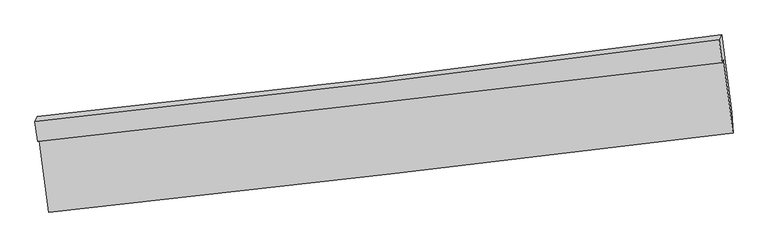
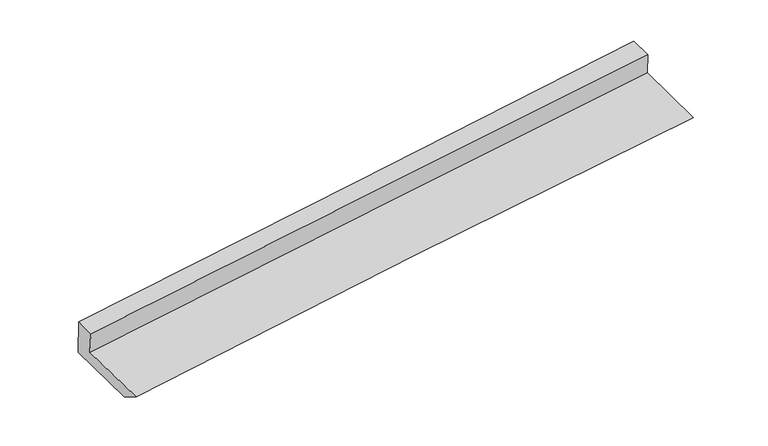
"""IFC4 building model written with IfcOpenShell, lengths in millimetres: proxy geometry."""

from ifc_helpers import new_model, si_unit, frame, origin, place, context, project, spatial, source, transform, mapped, element, save
from ifc_brep_helpers import plane_surface, spline_curve, spline_surface, advanced_brep


def generic_models_dcc93296(model_context):
    return source(origin(), model_context, "Body", "AdvancedBrep", [
        advanced_brep(
        [(-3009.8479522, -1853.8402585, 1725.4289838), (-2925.128689, -2510.9602771, 1624.466475), (3048.1622265, -1819.0080548, 2073.6225031), (2963.8064656, -1165.2056947, 2179.3302998), (-3022.3725286, -1892.2556117, 1953.033089), (2951.8232442, -1201.9592972, 2397.0884879), (-3045.0661678, -1716.6142061, 1980.674712), (2926.0939893, -1002.0481481, 2428.55513), (-3022.9333344, -1676.8848438, 1622.6373239), (2949.138364, -960.6664018, 2055.6157378), (-2937.7784678, -2335.9558864, 1518.9158054), (3036.082575, -1636.2054811, 1949.2837672)],
        [
            (0, 1),
            (1, 2, spline_curve(3, [(-2925.128689, -2510.9602771, 1624.466475), (-1930.213001555, -2402.191770365, 1718.183334922), (-934.985236082, -2290.145360388, 1802.47119099), (1056.111724993, -2059.494733101, 1952.190194433), (2051.980931159, -1940.890402529, 2017.621014206), (3048.1622265, -1819.0080548, 2073.6225031)], [4, 2, 4], [0.0, 9.892143062758798, 19.784457757132135])),
            (2, 3),
            (3, 0, spline_curve(3, [(2963.8064656, -1165.2056947, 2179.3302998), (1968.098511911, -1283.795294473, 2111.111628154), (972.435681972, -1400.476789536, 2039.176822332), (-1018.782455609, -1630.021577746, 1887.876254611), (-2014.337765093, -1742.884937575, 1808.510621997), (-3009.8479522, -1853.8402585, 1725.4289838)], [4, 2, 4], [0.0, 9.892314694373336, 19.784457757132135])),
            (4, 0),
            (3, 5),
            (5, 4, spline_curve(3, [(2951.8232442, -1201.9592972, 2397.0884879), (1956.025066775, -1320.825839251, 2330.510703491), (960.27201163, -1437.784285628, 2260.216841183), (-1031.126577502, -1667.882990849, 2112.198246089), (-2026.772113678, -1781.02331604, 2034.473641808), (-3022.3725286, -1892.2556117, 1953.033089)], [4, 2, 4], [0.0, 9.892439063105822, 19.78470649243931])),
            (6, 4),
            (5, 7),
            (7, 6, spline_curve(3, [(2926.0939893, -1002.0481481, 2428.55513), (1931.866567258, -1133.232716574, 2360.037637795), (937.151855565, -1258.372636478, 2288.455173273), (-1053.234880615, -1496.56111282, 2139.16159406), (-2048.906887719, -1609.609878765, 2061.450586145), (-3045.0661678, -1716.6142061, 1980.674712)], [4, 2, 4], [0.0, 9.892533470656007, 19.784895305901706])),
            (8, 6),
            (7, 9),
            (9, 8, spline_curve(3, [(2949.138364, -960.6664018, 2055.6157378), (1954.247433484, -1093.044970647, 1997.860467497), (959.125007483, -1218.919586404, 1932.900922365), (-1031.565566697, -1457.658841315, 1788.574534677), (-2027.133706683, -1570.523706167, 1709.207941672), (-3022.9333344, -1676.8848438, 1622.6373239)], [4, 2, 4], [0.0, 9.892827823831672, 19.78548400714601])),
            (10, 8),
            (9, 11),
            (11, 10, spline_curve(3, [(3036.082575, -1636.2054811, 1949.2837672), (2039.767336833, -1757.096292932, 1893.33971584), (1043.783648432, -1875.854719913, 1829.503313676), (-947.503354472, -2109.104780826, 1686.047052617), (-1942.806680347, -2223.596489131, 1606.427467544), (-2937.7784678, -2335.9558864, 1518.9158054)], [4, 2, 4], [0.0, 9.892596654420053, 19.785021672333563])),
            (1, 10),
            (11, 2),
        ],
        [
            spline_surface(3, 3, [[(-3009.8479522, -1853.8402585, 1725.4289838), (-2014.337765165, -1742.884937555, 1808.510621855), (-1018.782455653, -1630.021577837, 1887.876254665), (972.435682016, -1400.476789445, 2039.176822279), (1968.098511834, -1283.795294568, 2111.111628138), (2963.8064656, -1165.2056947, 2179.3302998)], [(-2981.608197809, -2072.880264713, 1691.774814212), (-1986.296177351, -1962.653881797, 1778.40152624), (-990.850049096, -1850.062838673, 1859.407900146), (1000.327696347, -1620.149437397, 2010.181279623), (1996.059318284, -1502.826997199, 2079.948090167), (2991.925052576, -1383.139814728, 2144.094367554)], [(-2953.368443391, -2291.920270887, 1658.120644588), (-1958.254589509, -2182.422825999, 1748.292430589), (-962.917642597, -2070.10409943, 1830.93954563), (1028.21971062, -1839.822085271, 1981.185736969), (2024.020124706, -1721.858699845, 2048.784552234), (3020.043639524, -1601.073934772, 2108.858435346)], [(-2925.128689, -2510.9602771, 1624.466475), (-1930.213001695, -2402.191770242, 1718.183334975), (-934.98523604, -2290.145360265, 1802.471191111), (1056.111724951, -2059.494733224, 1952.190194312), (2051.980931156, -1940.890402475, 2017.621014263), (3048.1622265, -1819.0080548, 2073.6225031)]], [4, 4], [4, 2, 4], [0.0, 2.1995707392335038], [0.0, 9.892143062758798, 19.784457757132135]),
            spline_surface(3, 3, [[(-3022.3725286, -1892.2556117, 1953.033089), (-2026.772113627, -1781.023316032, 2034.4736418), (-1031.126577609, -1667.882990887, 2112.19824601), (960.272011737, -1437.78428559, 2260.216841262), (1956.025066696, -1320.825839251, 2330.510703341), (2951.8232442, -1201.9592972, 2397.0884879)], [(-3018.197669796, -1879.450493966, 1877.165053932), (-2022.627330803, -1768.310523205, 1959.15263515), (-1027.011870283, -1655.262519856, 2037.424248893), (964.326568503, -1425.348453527, 2186.536834933), (1960.049548403, -1308.482324361, 2257.377678266), (2955.817651328, -1189.708096371, 2324.502425192)], [(-3014.022811004, -1866.645376234, 1801.297018868), (-2018.48254799, -1755.597730381, 1883.831628505), (-1022.897162979, -1642.642048868, 1962.650251781), (968.381125249, -1412.912621508, 2112.856828608), (1964.074030127, -1296.138809457, 2184.244653214), (2959.812058472, -1177.456895529, 2251.916362508)], [(-3009.8479522, -1853.8402585, 1725.4289838), (-2014.337765165, -1742.884937555, 1808.510621855), (-1018.782455653, -1630.021577837, 1887.876254665), (972.435682016, -1400.476789445, 2039.176822279), (1968.098511834, -1283.795294568, 2111.111628138), (2963.8064656, -1165.2056947, 2179.3302998)]], [4, 4], [4, 2, 4], [0.0, 0.7420036039416993], [0.0, 9.892267429333486, 19.78470649243931]),
            spline_surface(3, 3, [[(-3045.0661678, -1716.6142061, 1980.674712), (-2048.906887834, -1609.609878867, 2061.450586122), (-1053.2348805, -1496.561112778, 2139.161594157), (937.15185545, -1258.372636519, 2288.455173176), (1931.866567134, -1133.232716621, 2360.037637811), (2926.0939893, -1002.0481481, 2428.55513)], [(-3037.501621389, -1775.161341291, 1971.460837666), (-2041.528629754, -1666.747691246, 2052.458271347), (-1045.865446201, -1553.668405484, 2130.173811436), (944.858574214, -1318.176519545, 2279.042395866), (1939.919400302, -1195.763757487, 2350.195326327), (2934.670407581, -1068.685197789, 2418.066249306)], [(-3029.937075011, -1833.708476509, 1962.246963334), (-2034.150371707, -1723.885503653, 2043.465956575), (-1038.496011908, -1610.775698182, 2121.186028731), (952.565292972, -1377.980402563, 2269.629618572), (1947.972233528, -1258.294798385, 2340.353014825), (2943.246825919, -1135.322247511, 2407.577368594)], [(-3022.3725286, -1892.2556117, 1953.033089), (-2026.772113627, -1781.023316032, 2034.4736418), (-1031.126577609, -1667.882990887, 2112.19824601), (960.272011737, -1437.78428559, 2260.216841262), (1956.025066696, -1320.825839251, 2330.510703341), (2951.8232442, -1201.9592972, 2397.0884879)]], [4, 4], [4, 2, 4], [0.0, 0.5871396167887845], [0.0, 9.8923618352457, 19.784895305901706]),
            spline_surface(3, 3, [[(-3022.9333344, -1676.8848438, 1622.6373239), (-2027.133706721, -1570.52370614, 1709.207941684), (-1031.5655667, -1457.658841349, 1788.574534545), (959.125007486, -1218.91958637, 1932.900922496), (1954.247433559, -1093.044970489, 1997.860467605), (2949.138364, -960.6664018, 2055.6157378)], [(-3030.310945522, -1690.12796457, 1741.983119944), (-2034.391433747, -1583.552430385, 1826.622156507), (-1038.788671312, -1470.626265161, 1905.436887756), (951.800623462, -1232.070603089, 2051.419006063), (1946.78714475, -1106.440885861, 2118.586191018), (2941.456905766, -974.460317228, 2179.928868544)], [(-3037.688556678, -1703.37108533, 1861.328915956), (-2041.649160808, -1596.581154621, 1944.036371299), (-1046.011775888, -1483.593688966, 2022.299240946), (944.476239474, -1245.221619801, 2169.937089609), (1939.326855943, -1119.836801249, 2239.311914398), (2933.775447534, -988.254232672, 2304.241999256)], [(-3045.0661678, -1716.6142061, 1980.674712), (-2048.906887834, -1609.609878867, 2061.450586122), (-1053.2348805, -1496.561112778, 2139.161594157), (937.15185545, -1258.372636519, 2288.455173176), (1931.866567134, -1133.232716621, 2360.037637811), (2926.0939893, -1002.0481481, 2428.55513)]], [4, 4], [4, 2, 4], [0.0, 1.167674719326883], [0.0, 9.892656183314338, 19.78548400714601]),
            spline_surface(3, 3, [[(-2937.7784678, -2335.9558864, 1518.9158054), (-1942.806680217, -2223.596489039, 1606.427467385), (-947.503354404, -2109.104780923, 1686.047052585), (1043.783648364, -1875.854719816, 1829.503313709), (2039.767336805, -1757.096292832, 1893.339715785), (3036.082575, -1636.2054811, 1949.2837672)], [(-2966.163423349, -2116.265538869, 1553.489644889), (-1970.915689068, -2005.905561408, 1640.687625474), (-975.524091856, -1891.956134387, 1720.222879913), (1015.564101385, -1656.87634199, 1863.969183312), (2011.260702388, -1535.745852055, 1928.179966383), (3007.101171331, -1411.025788004, 1984.727757391)], [(-2994.548378851, -1896.575191331, 1588.063484411), (-1999.024697871, -1788.214633771, 1674.947783596), (-1003.544829248, -1674.807487885, 1754.398707218), (987.344554465, -1437.897964196, 1898.435052893), (1982.754067976, -1314.395411266, 1963.020217007), (2978.119767669, -1185.846094896, 2020.171747609)], [(-3022.9333344, -1676.8848438, 1622.6373239), (-2027.133706721, -1570.52370614, 1709.207941684), (-1031.5655667, -1457.658841349, 1788.574534545), (959.125007486, -1218.91958637, 1932.900922496), (1954.247433559, -1093.044970489, 1997.860467605), (2949.138364, -960.6664018, 2055.6157378)]], [4, 4], [4, 2, 4], [0.0, 2.19027281626075], [0.0, 9.89242501791351, 19.785021672333563]),
            spline_surface(3, 3, [[(-2925.128689, -2510.9602771, 1624.466475), (-1930.213001695, -2402.191770242, 1718.183334975), (-934.98523604, -2290.145360265, 1802.471191111), (1056.111724951, -2059.494733224, 1952.190194312), (2051.980931156, -1940.890402475, 2017.621014263), (3048.1622265, -1819.0080548, 2073.6225031)], [(-2929.345281935, -2452.625480191, 1589.282918458), (-1934.410894537, -2342.660009832, 1680.931379103), (-939.157942158, -2229.798500479, 1763.663144928), (1052.002366092, -1998.281395416, 1911.294567437), (2047.909733057, -1879.625699273, 1976.193914783), (3044.135676018, -1758.073863579, 2032.176257813)], [(-2933.561874865, -2394.290683309, 1554.099361942), (-1938.608787375, -2283.128249449, 1643.679423257), (-943.330648285, -2169.451640709, 1724.855098767), (1047.893007223, -1937.068057624, 1870.398940584), (2043.838534904, -1818.360996035, 1934.766815265), (3040.109125482, -1697.139672321, 1990.730012487)], [(-2937.7784678, -2335.9558864, 1518.9158054), (-1942.806680217, -2223.596489039, 1606.427467385), (-947.503354404, -2109.104780923, 1686.047052585), (1043.783648364, -1875.854719816, 1829.503313709), (2039.767336805, -1757.096292832, 1893.339715785), (3036.082575, -1636.2054811, 1949.2837672)]], [4, 4], [4, 2, 4], [0.0, 0.71651513848152], [0.0, 9.892090815525988, 19.78435326176001]),
            plane_surface(frame((2979.1844774, -1297.5155129, 2180.5826543), z_axis=(0.9905050588348592, 0.11582468930728315, 0.0740565309032476), x_axis=(-0.06129879315582924, -0.11007680350287077, 0.992031025365754))),
            plane_surface(frame((-2993.8545233, -1997.7518473, 1737.5260649), z_axis=(-0.9904433655968803, -0.11630310240003634, -0.0741318279637802), x_axis=(-0.1264075962169157, 0.9804731400129444, 0.1506437563652024))),
        ],
        [
            (0, [[1, 2, 3, 4]]),
            (1, [[5, -4, 6, 7]]),
            (2, [[8, -7, 9, 10]]),
            (3, [[11, -10, 12, 13]]),
            (4, [[14, -13, 15, 16]]),
            (5, [[17, -16, 18, -2]]),
            (6, [[-12, -9, -6, -3, -18, -15]]),
            (7, [[-1, -5, -8, -11, -14, -17]]),
        ],
    ),
    ])


if __name__ == "__main__":
    model = new_model("IFC4")
    model_context = context("Model", 3, world=origin())
    ifc_project = project(units=[si_unit("LENGTHUNIT", "METRE", prefix="MILLI")], contexts=[model_context])
    site = spatial("IfcSite", under=ifc_project)
    building = spatial("IfcBuilding", under=site)
    placement = place(None, origin())
    generic_models_shape = generic_models_dcc93296(model_context)
    element("IfcBuildingElementProxy", 1, Name="Generic Models", at=placement, inside=building, context=model_context, shape_type="MappedRepresentation", body=[
        mapped(generic_models_shape, transform((0.0, 0.0, 0.0), x_axis=(1.0, 0.0, 0.0), y_axis=(0.0, 1.0, 0.0), z_axis=(0.0, 0.0, 1.0))),
    ])
    save(model, "model.ifc")
